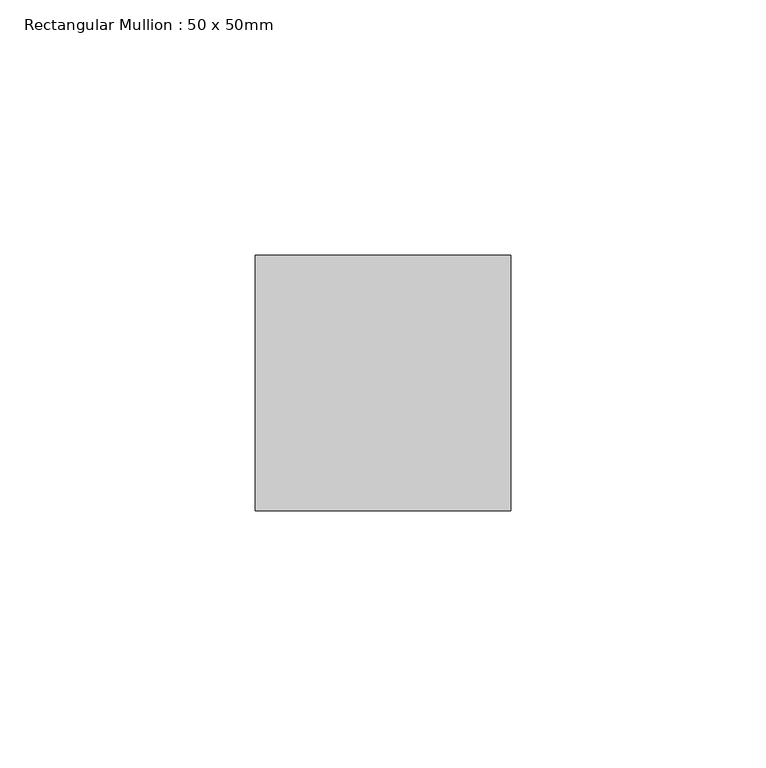
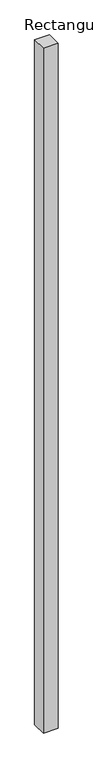
"""IFC4 building model written with IfcOpenShell, lengths in millimetres: member geometry, Rectangular Mullion : 50 x 50mm."""

from ifc_helpers import new_model, si_unit, frame, origin, place, context, project, spatial, polyline, outline, extrude, source, transform, mapped, element, save


def rectangular_mullion_50_x_50mm_38c9ba27(model_context):
    return source(origin(), model_context, "Body", "SweptSolid", [
        extrude(outline(polyline([(0.0, 50.0), (0.0, 0.0), (-50.0, 0.0), (-50.0, 50.0), (0.0, 50.0)])), frame((0.0, 0.0, -2420.0), z_axis=(0.0, 0.0, 1.0), x_axis=(1.0, 0.0, 0.0)), (0.0, 0.0, 1.0), 2420.0),
    ])


if __name__ == "__main__":
    model = new_model("IFC4")
    model_context = context("Model", 3, world=origin())
    ifc_project = project(units=[si_unit("LENGTHUNIT", "METRE", prefix="MILLI")], contexts=[model_context])
    site = spatial("IfcSite", under=ifc_project)
    building = spatial("IfcBuilding", under=site)
    placement = place(None, origin())
    rectangular_mullion_50_x_50mm_shape = rectangular_mullion_50_x_50mm_38c9ba27(model_context)
    element("IfcMember", 1, ObjectType="Rectangular Mullion : 50 x 50mm", at=placement, inside=building, context=model_context, shape_type="MappedRepresentation", body=[
        mapped(rectangular_mullion_50_x_50mm_shape, transform((0.0, 0.0, 0.0), x_axis=(1.0, 0.0, 0.0), y_axis=(0.0, 1.0, 0.0), z_axis=(0.0, 0.0, 1.0))),
    ])
    save(model, "model.ifc")
